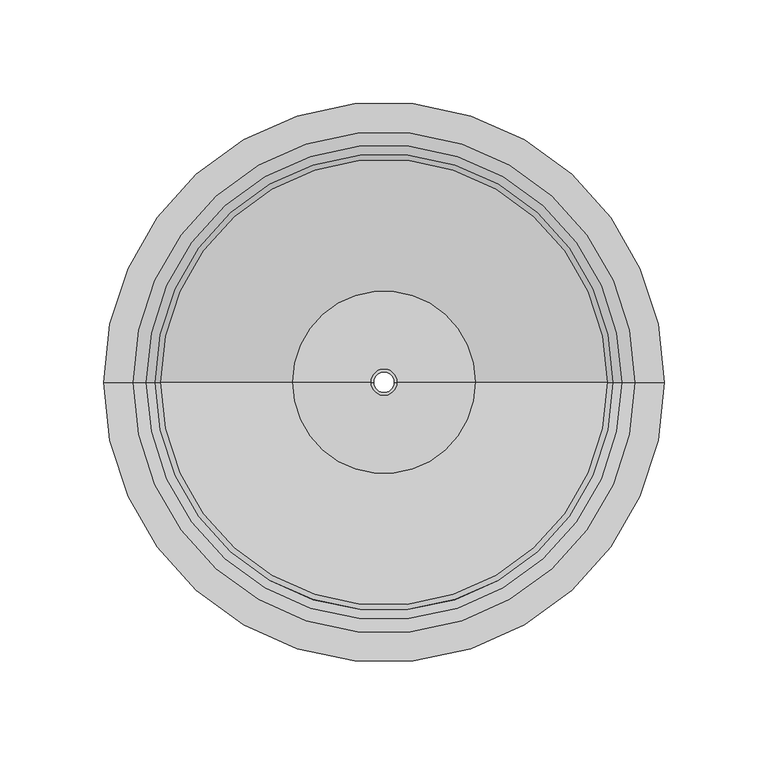
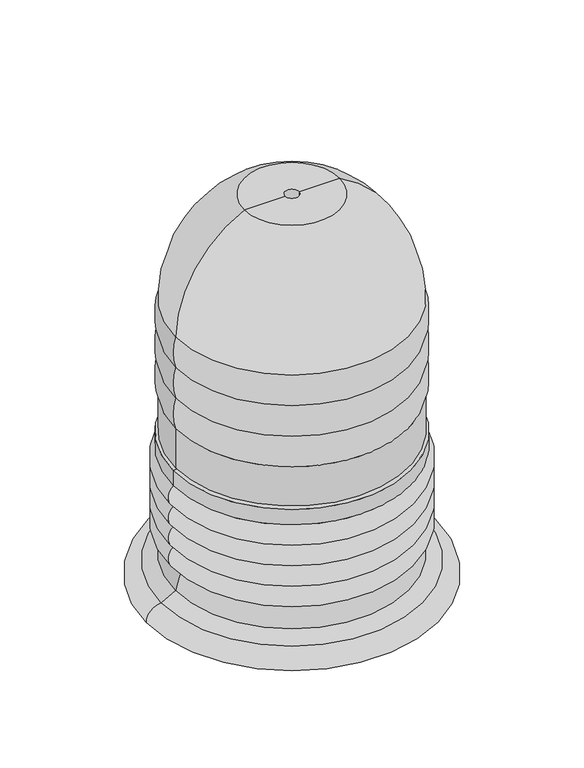
"""IFC4 building model written with IfcOpenShell, lengths in millimetres: proxy geometry."""

from ifc_helpers import new_model, si_unit, point, frame, origin, place, context, project, spatial, polyline, circle_curve, ellipse_curve, trimmed, source, transform, mapped, element, save
from ifc_brep_helpers import plane_surface, cylinder_surface, revolved_surface, advanced_brep


def generic_models_f34f4188(model_context):
    return source(origin(), model_context, "Body", "AdvancedBrep", [
        advanced_brep(
        [(107.5673201, 0.0, 1.7657715), (-107.5673201, 0.0, 1.7657715), (-107.5673201, 0.0, 40.0), (107.5673201, 0.0, 40.0), (6.4096883, 0.0, 1.7657715), (-6.4096883, 0.0, 1.7657715), (6.4096883, 0.0, 231.7657715), (-6.4096883, 0.0, 231.7657715), (43.9770084, 0.0, 231.7657715), (-43.9770084, 0.0, 231.7657715), (107.5673201, 0.0, 130.0), (-107.5673201, 0.0, 130.0), (107.5673201, 0.0, 100.0), (-107.5673201, 0.0, 100.0), (107.5673201, 0.0, 70.0), (-107.5673201, 0.0, 70.0)],
        [
            (0, 1, circle_curve(frame((0.0, 0.0, 1.7657715), z_axis=(0.0, 0.0, 1.0), x_axis=(-1.0, 0.0, 0.0)), 107.5673201)),
            (1, 2),
            (2, 3, circle_curve(frame((0.0, 0.0, 40.0), z_axis=(0.0, 0.0, -1.0), x_axis=(-1.0, 0.0, 0.0)), 107.5673201)),
            (3, 0),
            (1, 0, circle_curve(frame((0.0, 0.0, 1.7657715), z_axis=(0.0, 0.0, 1.0), x_axis=(-1.0, 0.0, 0.0)), 107.5673201)),
            (3, 2, circle_curve(frame((0.0, 0.0, 40.0), z_axis=(0.0, 0.0, -1.0), x_axis=(-1.0, 0.0, 0.0)), 107.5673201)),
            (4, 5, circle_curve(frame((0.0, 0.0, 1.7657715), z_axis=(0.0, 0.0, 1.0), x_axis=(-1.0, 0.0, 0.0)), 6.4096883)),
            (5, 1),
            (0, 4),
            (5, 4, circle_curve(frame((0.0, 0.0, 1.7657715), z_axis=(0.0, 0.0, 1.0), x_axis=(-1.0, 0.0, 0.0)), 6.4096883)),
            (6, 7, circle_curve(frame((0.0, 0.0, 231.7657715), z_axis=(0.0, 0.0, 1.0), x_axis=(-1.0, 0.0, 0.0)), 6.4096883)),
            (7, 5),
            (4, 6),
            (7, 6, circle_curve(frame((0.0, 0.0, 231.7657715), z_axis=(0.0, 0.0, 1.0), x_axis=(-1.0, 0.0, 0.0)), 6.4096883)),
            (8, 9, circle_curve(frame((0.0, 0.0, 231.7657715), z_axis=(0.0, 0.0, 1.0), x_axis=(-1.0, 0.0, 0.0)), 43.9770084)),
            (9, 7),
            (6, 8),
            (9, 8, circle_curve(frame((0.0, 0.0, 231.7657715), z_axis=(0.0, 0.0, 1.0), x_axis=(-1.0, 0.0, 0.0)), 43.9770084)),
            (10, 11, circle_curve(frame((0.0, 0.0, 130.0), z_axis=(0.0, 0.0, 1.0), x_axis=(-1.0, 0.0, 0.0)), 107.5673201)),
            (11, 9, circle_curve(frame((7.7418661, 0.0, 128.6975277), z_axis=(0.0, 1.0, 0.0), x_axis=(1.0, 0.0, 0.0)), 115.316542)),
            (8, 10, circle_curve(frame((-7.7418661, 0.0, 128.6975277), z_axis=(0.0, 1.0, 0.0), x_axis=(-1.0, 0.0, 0.0)), 115.316542)),
            (11, 10, circle_curve(frame((0.0, 0.0, 130.0), z_axis=(0.0, 0.0, 1.0), x_axis=(-1.0, 0.0, 0.0)), 107.5673201)),
            (12, 13, circle_curve(frame((0.0, 0.0, 100.0), z_axis=(0.0, 0.0, 1.0), x_axis=(-1.0, 0.0, 0.0)), 107.5673201)),
            (13, 11, circle_curve(frame((-65.6744089, 0.0, 115.0), z_axis=(0.0, 1.0, 0.0), x_axis=(1.0, 0.0, 0.0)), 44.4973708)),
            (10, 12, circle_curve(frame((65.6744089, 0.0, 115.0), z_axis=(0.0, 1.0, 0.0), x_axis=(-1.0, 0.0, 0.0)), 44.4973708)),
            (13, 12, circle_curve(frame((0.0, 0.0, 100.0), z_axis=(0.0, 0.0, 1.0), x_axis=(-1.0, 0.0, 0.0)), 107.5673201)),
            (14, 15, circle_curve(frame((0.0, 0.0, 70.0), z_axis=(0.0, 0.0, 1.0), x_axis=(-1.0, 0.0, 0.0)), 107.5673201)),
            (15, 13, circle_curve(frame((-65.6744089, 0.0, 85.0), z_axis=(0.0, 1.0, 0.0), x_axis=(1.0, 0.0, 0.0)), 44.4973708)),
            (12, 14, circle_curve(frame((65.6744089, 0.0, 85.0), z_axis=(0.0, 1.0, 0.0), x_axis=(-1.0, 0.0, 0.0)), 44.4973708)),
            (15, 14, circle_curve(frame((0.0, 0.0, 70.0), z_axis=(0.0, 0.0, 1.0), x_axis=(-1.0, 0.0, 0.0)), 107.5673201)),
            (2, 15, circle_curve(frame((-65.6744089, 0.0, 55.0), z_axis=(0.0, 1.0, 0.0), x_axis=(1.0, 0.0, 0.0)), 44.4973708)),
            (14, 3, circle_curve(frame((65.6744089, 0.0, 55.0), z_axis=(0.0, 1.0, 0.0), x_axis=(-1.0, 0.0, 0.0)), 44.4973708)),
        ],
        [
            cylinder_surface(frame((0.0, 0.0, 231.7657715), z_axis=(0.0, 0.0, -1.0), x_axis=(-1.0, 0.0, 0.0)), 107.5673201),
            plane_surface(frame((0.0, 0.0, 1.7657715), z_axis=(0.0, 0.0, -1.0), x_axis=(-1.0, 0.0, 0.0))),
            revolved_surface(polyline([(-6.4096883, 0.0, 1.7657714999999996), (-6.4096883, 0.0, 231.7657715)]), (0.0, 0.0, 231.7657715), (0.0, 0.0, -1.0)),
            plane_surface(frame((0.0, 0.0, 231.7657715), z_axis=(0.0, 0.0, 1.0), x_axis=(-1.0, 0.0, 0.0))),
            revolved_surface(trimmed(ellipse_curve(frame((7.7418661, 0.0, 128.6975277), z_axis=(0.0, -1.0, 0.0), x_axis=(1.0, 0.0, 0.0)), 115.316542, 115.316542), [point((-43.9770084, 0.0, 231.7657715))], [point((-107.5673201, 0.0, 130.0))], True, "CARTESIAN"), (0.0, 0.0, 231.7657715), (0.0, 0.0, -1.0)),
            revolved_surface(trimmed(ellipse_curve(frame((-65.6744089, 0.0, 115.0), z_axis=(0.0, -1.0, 0.0), x_axis=(1.0, 0.0, 0.0)), 44.4973708, 44.4973708), [point((-107.5673201, 0.0, 130.0))], [point((-107.5673201, 0.0, 100.0))], True, "CARTESIAN"), (0.0, 0.0, 231.7657715), (0.0, 0.0, -1.0)),
            revolved_surface(trimmed(ellipse_curve(frame((-65.6744089, 0.0, 85.0), z_axis=(0.0, -1.0, 0.0), x_axis=(1.0, 0.0, 0.0)), 44.4973708, 44.4973708), [point((-107.5673201, 0.0, 100.0))], [point((-107.5673201, 0.0, 70.0))], True, "CARTESIAN"), (0.0, 0.0, 231.7657715), (0.0, 0.0, -1.0)),
            revolved_surface(trimmed(ellipse_curve(frame((-65.6744089, 0.0, 55.0), z_axis=(0.0, -1.0, 0.0), x_axis=(1.0, 0.0, 0.0)), 44.4973708, 44.4973708), [point((-107.5673201, 0.0, 70.0))], [point((-107.5673201, 0.0, 40.0))], True, "CARTESIAN"), (0.0, 0.0, 231.7657715), (0.0, 0.0, -1.0)),
        ],
        [
            (0, [[1, 2, 3, 4]]),
            (0, [[5, -4, 6, -2]]),
            (1, [[7, 8, -1, 9]]),
            (1, [[10, -9, -5, -8]]),
            (2, [[11, 12, -7, 13]]),
            (2, [[14, -13, -10, -12]]),
            (3, [[15, 16, -11, 17]]),
            (3, [[18, -17, -14, -16]]),
            (4, [[19, 20, -15, 21]]),
            (4, [[22, -21, -18, -20]]),
            (5, [[23, 24, -19, 25]]),
            (5, [[26, -25, -22, -24]]),
            (6, [[27, 28, -23, 29]]),
            (6, [[30, -29, -26, -28]]),
            (7, [[-3, 31, -27, 32]]),
            (7, [[-6, -32, -30, -31]]),
        ],
    ),
        advanced_brep(
        [(110.0, 0.0, -35.0), (-110.0, 0.0, -35.0), (-110.0, 0.0, -15.0), (110.0, 0.0, -15.0), (110.0, 0.0, -55.0), (-110.0, 0.0, -55.0), (110.0, 0.0, -75.0), (-110.0, 0.0, -75.0), (110.0, 0.0, -95.0), (-110.0, 0.0, -95.0), (100.0, 0.0, -95.0), (-100.0, 0.0, -95.0), (107.7595107, 0.0, -118.2955264), (-107.7595107, 0.0, -118.2955264), (5.0, 0.0, -140.0), (-5.0, 0.0, -140.0), (-135.0, 0.0, -140.0), (135.0, 0.0, -140.0), (5.0, 0.0, 0.0), (-5.0, 0.0, 0.0), (110.0, 0.0, 0.0), (-110.0, 0.0, 0.0), (120.8578644, 0.0, -125.8578644), (-120.8578644, 0.0, -125.8578644)],
        [
            (0, 1, circle_curve(frame((0.0, 0.0, -35.0), z_axis=(0.0, 0.0, 1.0), x_axis=(-1.0, 0.0, 0.0)), 110.0)),
            (1, 2, circle_curve(frame((-101.2145309, 0.0, -25.0), z_axis=(0.0, 1.0, 0.0), x_axis=(1.0, 0.0, 0.0)), 13.3110656)),
            (2, 3, circle_curve(frame((0.0, 0.0, -15.0), z_axis=(0.0, 0.0, -1.0), x_axis=(-1.0, 0.0, 0.0)), 110.0)),
            (3, 0, circle_curve(frame((101.2145309, 0.0, -25.0), z_axis=(0.0, 1.0, 0.0), x_axis=(-1.0, 0.0, 0.0)), 13.3110656)),
            (1, 0, circle_curve(frame((0.0, 0.0, -35.0), z_axis=(0.0, 0.0, 1.0), x_axis=(-1.0, 0.0, 0.0)), 110.0)),
            (3, 2, circle_curve(frame((0.0, 0.0, -15.0), z_axis=(0.0, 0.0, -1.0), x_axis=(-1.0, 0.0, 0.0)), 110.0)),
            (4, 5, circle_curve(frame((0.0, 0.0, -55.0), z_axis=(0.0, 0.0, 1.0), x_axis=(-1.0, 0.0, 0.0)), 110.0)),
            (5, 1, circle_curve(frame((-101.2145309, 0.0, -45.0), z_axis=(0.0, 1.0, 0.0), x_axis=(1.0, 0.0, 0.0)), 13.3110656)),
            (0, 4, circle_curve(frame((101.2145309, 0.0, -45.0), z_axis=(0.0, 1.0, 0.0), x_axis=(-1.0, 0.0, 0.0)), 13.3110656)),
            (5, 4, circle_curve(frame((0.0, 0.0, -55.0), z_axis=(0.0, 0.0, 1.0), x_axis=(-1.0, 0.0, 0.0)), 110.0)),
            (6, 7, circle_curve(frame((0.0, 0.0, -75.0), z_axis=(0.0, 0.0, 1.0), x_axis=(-1.0, 0.0, 0.0)), 110.0)),
            (7, 5, circle_curve(frame((-101.2145309, 0.0, -65.0), z_axis=(0.0, 1.0, 0.0), x_axis=(1.0, 0.0, 0.0)), 13.3110656)),
            (4, 6, circle_curve(frame((101.2145309, 0.0, -65.0), z_axis=(0.0, 1.0, 0.0), x_axis=(-1.0, 0.0, 0.0)), 13.3110656)),
            (7, 6, circle_curve(frame((0.0, 0.0, -75.0), z_axis=(0.0, 0.0, 1.0), x_axis=(-1.0, 0.0, 0.0)), 110.0)),
            (8, 9, circle_curve(frame((0.0, 0.0, -95.0), z_axis=(0.0, 0.0, 1.0), x_axis=(-1.0, 0.0, 0.0)), 110.0)),
            (9, 7, circle_curve(frame((-101.2145309, 0.0, -85.0), z_axis=(0.0, 1.0, 0.0), x_axis=(1.0, 0.0, 0.0)), 13.3110656)),
            (6, 8, circle_curve(frame((101.2145309, 0.0, -85.0), z_axis=(0.0, 1.0, 0.0), x_axis=(-1.0, 0.0, 0.0)), 13.3110656)),
            (9, 8, circle_curve(frame((0.0, 0.0, -95.0), z_axis=(0.0, 0.0, 1.0), x_axis=(-1.0, 0.0, 0.0)), 110.0)),
            (10, 11, circle_curve(frame((0.0, 0.0, -95.0), z_axis=(0.0, 0.0, 1.0), x_axis=(-1.0, 0.0, 0.0)), 100.0)),
            (11, 9),
            (8, 10),
            (11, 10, circle_curve(frame((0.0, 0.0, -95.0), z_axis=(0.0, 0.0, 1.0), x_axis=(-1.0, 0.0, 0.0)), 100.0)),
            (12, 13, circle_curve(frame((0.0, 0.0, -118.2955264), z_axis=(0.0, 0.0, 1.0), x_axis=(-1.0, 0.0, 0.0)), 107.7595107)),
            (13, 11, circle_curve(frame((-3.75, 0.0, -140.0), z_axis=(0.0, 1.0, 0.0), x_axis=(1.0, 0.0, 0.0)), 106.25)),
            (10, 12, circle_curve(frame((3.75, 0.0, -140.0), z_axis=(0.0, 1.0, 0.0), x_axis=(-1.0, 0.0, 0.0)), 106.25)),
            (13, 12, circle_curve(frame((0.0, 0.0, -118.2955264), z_axis=(0.0, 0.0, 1.0), x_axis=(-1.0, 0.0, 0.0)), 107.7595107)),
            (14, 15, circle_curve(frame((0.0, 0.0, -140.0), z_axis=(0.0, 0.0, 1.0), x_axis=(-1.0, 0.0, 0.0)), 5.0)),
            (15, 16),
            (16, 17, circle_curve(frame((0.0, 0.0, -140.0), z_axis=(0.0, 0.0, -1.0), x_axis=(-1.0, 0.0, 0.0)), 135.0)),
            (17, 14),
            (15, 14, circle_curve(frame((0.0, 0.0, -140.0), z_axis=(0.0, 0.0, 1.0), x_axis=(-1.0, 0.0, 0.0)), 5.0)),
            (17, 16, circle_curve(frame((0.0, 0.0, -140.0), z_axis=(0.0, 0.0, -1.0), x_axis=(-1.0, 0.0, 0.0)), 135.0)),
            (18, 19, circle_curve(frame((0.0, 0.0, 0.0), z_axis=(0.0, 0.0, 1.0), x_axis=(-1.0, 0.0, 0.0)), 5.0)),
            (19, 15),
            (14, 18),
            (19, 18, circle_curve(frame((0.0, 0.0, 0.0), z_axis=(0.0, 0.0, 1.0), x_axis=(-1.0, 0.0, 0.0)), 5.0)),
            (20, 21, circle_curve(frame((0.0, 0.0, 0.0), z_axis=(0.0, 0.0, 1.0), x_axis=(-1.0, 0.0, 0.0)), 110.0)),
            (21, 19),
            (18, 20),
            (21, 20, circle_curve(frame((0.0, 0.0, 0.0), z_axis=(0.0, 0.0, 1.0), x_axis=(-1.0, 0.0, 0.0)), 110.0)),
            (2, 21),
            (20, 3),
            (22, 23, circle_curve(frame((0.0, 0.0, -125.8578644), z_axis=(0.0, 0.0, 1.0), x_axis=(-1.0, 0.0, 0.0)), 120.8578644)),
            (23, 13),
            (12, 22),
            (23, 22, circle_curve(frame((0.0, 0.0, -125.8578644), z_axis=(0.0, 0.0, 1.0), x_axis=(-1.0, 0.0, 0.0)), 120.8578644)),
            (16, 23, circle_curve(frame((-120.8578644, 0.0, -140.0), z_axis=(0.0, 1.0, 0.0), x_axis=(1.0, 0.0, 0.0)), 14.1421356)),
            (22, 17, circle_curve(frame((120.8578644, 0.0, -140.0), z_axis=(0.0, 1.0, 0.0), x_axis=(-1.0, 0.0, 0.0)), 14.1421356)),
        ],
        [
            revolved_surface(trimmed(ellipse_curve(frame((-101.2145309, 0.0, -25.0), z_axis=(0.0, -1.0, 0.0), x_axis=(1.0, 0.0, 0.0)), 13.3110656, 13.3110656), [point((-110.0, 0.0, -15.0))], [point((-110.0, 0.0, -35.0))], True, "CARTESIAN"), (0.0, 0.0, 0.0), (0.0, 0.0, -1.0)),
            revolved_surface(trimmed(ellipse_curve(frame((-101.2145309, 0.0, -45.0), z_axis=(0.0, -1.0, 0.0), x_axis=(1.0, 0.0, 0.0)), 13.3110656, 13.3110656), [point((-110.0, 0.0, -35.0))], [point((-110.0, 0.0, -55.0))], True, "CARTESIAN"), (0.0, 0.0, 0.0), (0.0, 0.0, -1.0)),
            revolved_surface(trimmed(ellipse_curve(frame((-101.2145309, 0.0, -65.0), z_axis=(0.0, -1.0, 0.0), x_axis=(1.0, 0.0, 0.0)), 13.3110656, 13.3110656), [point((-110.0, 0.0, -55.0))], [point((-110.0, 0.0, -75.0))], True, "CARTESIAN"), (0.0, 0.0, 0.0), (0.0, 0.0, -1.0)),
            revolved_surface(trimmed(ellipse_curve(frame((-101.2145309, 0.0, -85.0), z_axis=(0.0, -1.0, 0.0), x_axis=(1.0, 0.0, 0.0)), 13.3110656, 13.3110656), [point((-110.0, 0.0, -75.0))], [point((-110.0, 0.0, -95.0))], True, "CARTESIAN"), (0.0, 0.0, 0.0), (0.0, 0.0, -1.0)),
            plane_surface(frame((0.0, 0.0, -95.0), z_axis=(0.0, 0.0, -1.0), x_axis=(-1.0, 0.0, 0.0))),
            revolved_surface(trimmed(ellipse_curve(frame((-3.75, 0.0, -140.0), z_axis=(0.0, -1.0, 0.0), x_axis=(1.0, 0.0, 0.0)), 106.25, 106.25), [point((-100.0, 0.0, -95.0))], [point((-107.7595107, 0.0, -118.2955264))], True, "CARTESIAN"), (0.0, 0.0, 0.0), (0.0, 0.0, -1.0)),
            plane_surface(frame((0.0, 0.0, -140.0), z_axis=(0.0, 0.0, -1.0), x_axis=(-1.0, 0.0, 0.0))),
            revolved_surface(polyline([(-5.0, 0.0, -140.0), (-5.0, 0.0, 0.0)]), (0.0, 0.0, 0.0), (0.0, 0.0, -1.0)),
            plane_surface(frame((0.0, 0.0, 0.0), z_axis=(0.0, 0.0, 1.0), x_axis=(-1.0, 0.0, 0.0))),
            cylinder_surface(frame((0.0, 0.0, 0.0), z_axis=(0.0, 0.0, -1.0), x_axis=(-1.0, 0.0, 0.0)), 110.0),
            revolved_surface(polyline([(-107.7595107, 0.0, -118.2955264), (-120.8578644, 0.0, -125.8578644)]), (0.0, 0.0, 0.0), (0.0, 0.0, -1.0)),
            revolved_surface(trimmed(ellipse_curve(frame((-120.8578644, 0.0, -140.0), z_axis=(0.0, -1.0, 0.0), x_axis=(1.0, 0.0, 0.0)), 14.1421356, 14.1421356), [point((-120.8578644, 0.0, -125.8578644))], [point((-135.0, 0.0, -140.0))], True, "CARTESIAN"), (0.0, 0.0, 0.0), (0.0, 0.0, -1.0)),
        ],
        [
            (0, [[1, 2, 3, 4]]),
            (0, [[5, -4, 6, -2]]),
            (1, [[7, 8, -1, 9]]),
            (1, [[10, -9, -5, -8]]),
            (2, [[11, 12, -7, 13]]),
            (2, [[14, -13, -10, -12]]),
            (3, [[15, 16, -11, 17]]),
            (3, [[18, -17, -14, -16]]),
            (4, [[19, 20, -15, 21]]),
            (4, [[22, -21, -18, -20]]),
            (5, [[23, 24, -19, 25]]),
            (5, [[26, -25, -22, -24]]),
            (6, [[27, 28, 29, 30]]),
            (6, [[31, -30, 32, -28]]),
            (7, [[33, 34, -27, 35]]),
            (7, [[36, -35, -31, -34]]),
            (8, [[37, 38, -33, 39]]),
            (8, [[40, -39, -36, -38]]),
            (9, [[-3, 41, -37, 42]]),
            (9, [[-6, -42, -40, -41]]),
            (10, [[43, 44, -23, 45]]),
            (10, [[46, -45, -26, -44]]),
            (11, [[-29, 47, -43, 48]]),
            (11, [[-32, -48, -46, -47]]),
        ],
    ),
    ])


if __name__ == "__main__":
    model = new_model("IFC4")
    model_context = context("Model", 3, world=origin())
    ifc_project = project(units=[si_unit("LENGTHUNIT", "METRE", prefix="MILLI")], contexts=[model_context])
    site = spatial("IfcSite", under=ifc_project)
    building = spatial("IfcBuilding", under=site)
    placement = place(None, origin())
    generic_models_shape = generic_models_f34f4188(model_context)
    element("IfcBuildingElementProxy", 1, Name="Generic Models", at=placement, inside=building, context=model_context, shape_type="MappedRepresentation", body=[
        mapped(generic_models_shape, transform((0.0, 0.0, 0.0), x_axis=(1.0, 0.0, 0.0), y_axis=(0.0, 1.0, 0.0), z_axis=(0.0, 0.0, 1.0))),
    ])
    save(model, "model.ifc")
